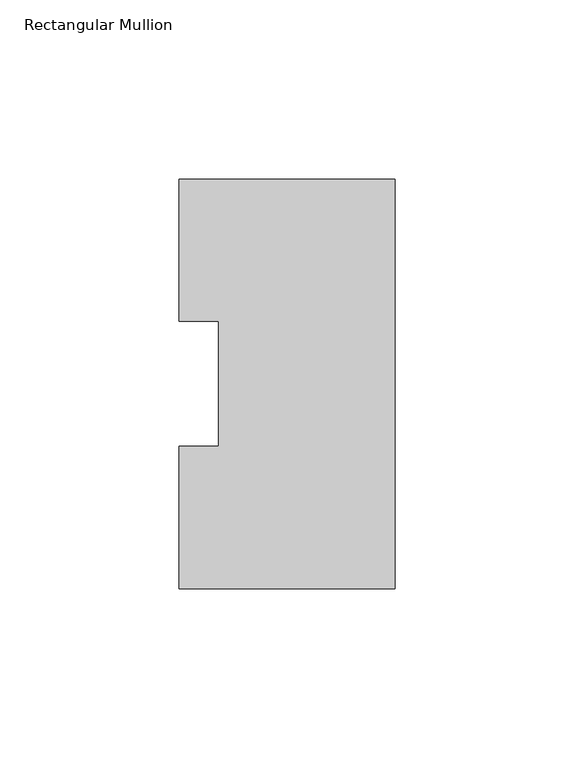
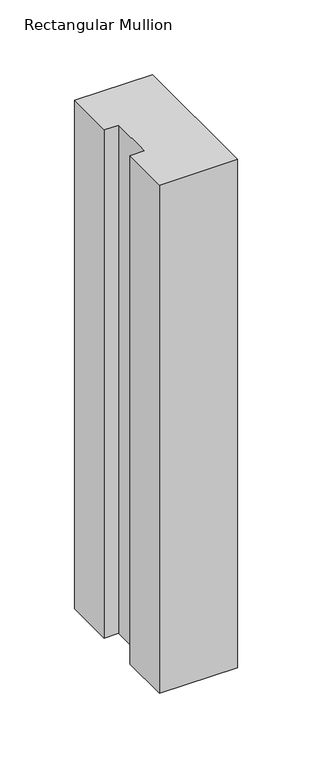
"""IFC4 building model written with IfcOpenShell, lengths in millimetres: member geometry, Rectangular Mullion."""

import ifcopenshell
import ifcopenshell.guid

model = None  # the IFC model being written
_history = None  # IfcOwnerHistory: only IFC2X3 demands one
_inside = {}  # id of a spatial element -> (the spatial element, [elements in it])
_under = {}  # id of a project, library or spatial element -> (it, [spatial elements below it])
_declared = {}  # id of a project -> (the project, [libraries it declares])
_typed = {}  # id of a type object -> (the type object, [elements of that type])
_made_of = {}  # id of a material, layer set ... -> (it, [elements and type objects made of it])


def new_model(schema):
    """Start an empty IFC model of exactly this schema.

    Asked for "IFC4X3", IfcOpenShell would pick the latest addendum, in which some entities
    have other attributes; the version numbers below select the first issue.
    IFC2X3 requires an IfcOwnerHistory on every rooted entity: one is made here for all.
    """
    global model, _history
    if schema == "IFC4X3":
        model = ifcopenshell.file(schema_version=(4, 3, 0, 0))
    else:
        model = ifcopenshell.file(schema=schema)
    _inside.clear()
    _under.clear()
    _declared.clear()
    _typed.clear()
    _made_of.clear()
    _history = None
    if model.schema == "IFC2X3":
        org = make("IfcOrganization", Name="unknown")
        user = make(
            "IfcPersonAndOrganization",
            ThePerson=make("IfcPerson", FamilyName="unknown"),
            TheOrganization=org,
        )
        app = make(
            "IfcApplication",
            ApplicationDeveloper=org,
            Version="unknown",
            ApplicationFullName="unknown",
            ApplicationIdentifier="unknown",
        )
        _history = make(
            "IfcOwnerHistory",
            OwningUser=user,
            OwningApplication=app,
            ChangeAction="ADDED",
            CreationDate=0,
        )
    return model


def make(cls, **values):
    """One entity of the class cls with the attributes given. An attribute that is None is left unset."""
    return model.create_entity(
        cls, **{name: value for name, value in values.items() if value is not None}
    )


def rooted(cls, **values):
    """An entity with a GlobalId (a new one), such as an element, a storey or a relation."""
    return make(cls, GlobalId=ifcopenshell.guid.new(), OwnerHistory=_history, **values)


def si_unit(unit_type, name, prefix=None):
    """IfcSIUnit, for example si_unit("LENGTHUNIT", "METRE", prefix="MILLI")."""
    return make("IfcSIUnit", UnitType=unit_type, Prefix=prefix, Name=name)


def assignment(units):
    """IfcUnitAssignment: the units of a project."""
    return None if units is None else make("IfcUnitAssignment", Units=units)


def point(xyz):
    """IfcCartesianPoint."""
    return None if xyz is None else make("IfcCartesianPoint", Coordinates=xyz)


def direction(xyz):
    """IfcDirection."""
    return None if xyz is None else make("IfcDirection", DirectionRatios=xyz)


def frame(location, z_axis=None, x_axis=None):
    """IfcAxis2Placement3D, a coordinate frame: its origin and axes. An axis left out is left unset."""
    return make(
        "IfcAxis2Placement3D",
        Location=point(location),
        Axis=direction(z_axis),
        RefDirection=direction(x_axis),
    )


def origin():
    """The frame at (0, 0, 0) with its axes left unset."""
    return frame((0.0, 0.0, 0.0))


def place(relative_to, where):
    """IfcLocalPlacement: puts the frame where relative to a parent placement (None: the world)."""
    return make(
        "IfcLocalPlacement", PlacementRelTo=relative_to, RelativePlacement=where
    )


def context(
    kind, dimensions, precision=None, world=None, true_north=None, identifier=None
):
    """IfcGeometricRepresentationContext, for example the 3D "Model" context."""
    return make(
        "IfcGeometricRepresentationContext",
        ContextIdentifier=identifier,
        ContextType=kind,
        CoordinateSpaceDimension=dimensions,
        Precision=precision,
        WorldCoordinateSystem=world,
        TrueNorth=true_north,
    )


def project(units=None, contexts=None):
    """IfcProject with its units and contexts."""
    return rooted(
        "IfcProject",
        Name="project",
        RepresentationContexts=contexts,
        UnitsInContext=assignment(units),
    )


def spatial(cls, under=None, at=None, **own):
    """A site, building, storey or space (cls), placed at a placement, below another one or the project."""
    s = rooted(cls, ObjectPlacement=at, **own)
    if under is not None:
        _under.setdefault(under.id(), (under, []))[1].append(s)
    return s


def polyline(points):
    """IfcPolyline through the points."""
    return make("IfcPolyline", Points=[point(p) for p in points])


def outline(outer, holes=None, kind="AREA"):
    """IfcArbitraryClosedProfileDef: a profile drawn as a closed curve; with holes, ...WithVoids."""
    if holes is None:
        return make("IfcArbitraryClosedProfileDef", ProfileType=kind, OuterCurve=outer)
    return make(
        "IfcArbitraryProfileDefWithVoids",
        ProfileType=kind,
        OuterCurve=outer,
        InnerCurves=holes,
    )


def extrude(swept, where, along, depth):
    """IfcExtrudedAreaSolid: the profile swept, set in the frame where, extruded along a direction by depth."""
    return make(
        "IfcExtrudedAreaSolid",
        SweptArea=swept,
        Position=where,
        ExtrudedDirection=direction(along),
        Depth=depth,
    )


def shape(context_of_items, identifier, shape_type, items):
    """IfcShapeRepresentation: the items that make up one representation, for example the "Body"."""
    return make(
        "IfcShapeRepresentation",
        ContextOfItems=context_of_items,
        RepresentationIdentifier=identifier,
        RepresentationType=shape_type,
        Items=items,
    )


def source(mapping_origin, context_of_items, identifier, shape_type, items):
    """IfcRepresentationMap: a shape defined once, which mapped items show again and again."""
    return make(
        "IfcRepresentationMap",
        MappingOrigin=mapping_origin,
        MappedRepresentation=shape(context_of_items, identifier, shape_type, items),
    )


def transform(
    local_origin,
    x_axis=None,
    y_axis=None,
    z_axis=None,
    scale=None,
    scale2=None,
    scale3=None,
    uniform=True,
):
    """IfcCartesianTransformationOperator3D, or its non-uniform kind. x_axis, y_axis, z_axis: its Axis1, 2, 3."""
    if uniform:
        return make(
            "IfcCartesianTransformationOperator3D",
            Axis1=direction(x_axis),
            Axis2=direction(y_axis),
            LocalOrigin=point(local_origin),
            Scale=scale,
            Axis3=direction(z_axis),
        )
    return make(
        "IfcCartesianTransformationOperator3DnonUniform",
        Axis1=direction(x_axis),
        Axis2=direction(y_axis),
        LocalOrigin=point(local_origin),
        Scale=scale,
        Axis3=direction(z_axis),
        Scale2=scale2,
        Scale3=scale3,
    )


def mapped(mapping_source, mapping_target):
    """IfcMappedItem: shows the shape of a source again, moved by a transform."""
    return make(
        "IfcMappedItem", MappingSource=mapping_source, MappingTarget=mapping_target
    )


def made_of(thing, what):
    """Note that an element or type object is made of a material, layer set ...; save() writes the relation."""
    if what is not None:
        _made_of.setdefault(what.id(), (what, []))[1].append(thing)
    return thing


def element(
    cls,
    number,
    at=None,
    inside=None,
    cuts=None,
    type_object=None,
    material=None,
    context=None,
    identifier="Body",
    shape_type=None,
    held_by="IfcProductDefinitionShape",
    body=None,
    shapes=None,
    **own,
):
    """One element of the class cls, such as IfcWall. Its Tag is "e" and its number.

    at: its placement. inside: the storey or other place that contains it. cuts: it is an
    opening in that element (IfcRelVoidsElement). A single representation is given by context,
    identifier, shape_type and body (its items); several are given by shapes. held_by: the class
    of the entity that holds the representations. save() writes the other relations.
    """
    e = rooted(cls, Tag="e%d" % number, ObjectPlacement=at, **own)
    if body is not None:
        shapes = [shape(context, identifier, shape_type, body)]
    if shapes is not None:
        e.Representation = make(held_by, Representations=shapes)
    if inside is not None:
        _inside.setdefault(inside.id(), (inside, []))[1].append(e)
    if cuts is not None:
        rooted(
            "IfcRelVoidsElement", RelatingBuildingElement=cuts, RelatedOpeningElement=e
        )
    if type_object is not None:
        _typed.setdefault(type_object.id(), (type_object, []))[1].append(e)
    return made_of(e, material)


def aggregate(whole, parts):
    """IfcRelAggregates: a whole, such as a stair, and the parts it consists of."""
    return rooted("IfcRelAggregates", RelatingObject=whole, RelatedObjects=parts)


def save(model, path):
    """Write the relations noted so far, then the file.

    IfcRelAggregates (storeys below a building ...), IfcRelContainedInSpatialStructure (elements
    in a storey), IfcRelDefinesByType, IfcRelAssociatesMaterial and IfcRelDeclares: one each for
    every whole, place, type object, material and project.
    """
    for whole, parts in _under.values():
        aggregate(whole, parts)
    for where, things in _inside.values():
        rooted(
            "IfcRelContainedInSpatialStructure",
            RelatedElements=things,
            RelatingStructure=where,
        )
    for kind, things in _typed.values():
        rooted("IfcRelDefinesByType", RelatedObjects=things, RelatingType=kind)
    for what, things in _made_of.values():
        rooted("IfcRelAssociatesMaterial", RelatedObjects=things, RelatingMaterial=what)
    for by, libraries in _declared.values():
        rooted("IfcRelDeclares", RelatingContext=by, RelatedDefinitions=libraries)
    model.write(path)


def rectangular_mullion_2a602f67(model_context):
    return source(origin(), model_context, "Body", "SweptSolid", [
        extrude(outline(polyline([(0.0, 114.271425), (0.0, -0.028575), (-60.325, -0.028575), (-60.325, 39.646225), (-49.2125, 39.646225), (-49.2125, 74.596625), (-60.325, 74.596625), (-60.325, 114.271425), (0.0, 114.271425)])), frame((0.0, 0.0, -415.925), z_axis=(0.0, 0.0, 1.0), x_axis=(1.0, 0.0, 0.0)), (0.0, 0.0, 1.0), 415.925),
    ])


if __name__ == "__main__":
    model = new_model("IFC4")
    model_context = context("Model", 3, world=origin())
    ifc_project = project(units=[si_unit("LENGTHUNIT", "METRE", prefix="MILLI")], contexts=[model_context])
    site = spatial("IfcSite", under=ifc_project)
    building = spatial("IfcBuilding", under=site)
    placement = place(None, origin())
    rectangular_mullion_shape = rectangular_mullion_2a602f67(model_context)
    element("IfcMember", 1, ObjectType="Rectangular Mullion", at=placement, inside=building, context=model_context, shape_type="MappedRepresentation", body=[
        mapped(rectangular_mullion_shape, transform((0.0, 0.0, 0.0), x_axis=(1.0, 0.0, 0.0), y_axis=(0.0, 1.0, 0.0), z_axis=(0.0, 0.0, 1.0))),
    ])
    save(model, "model.ifc")
